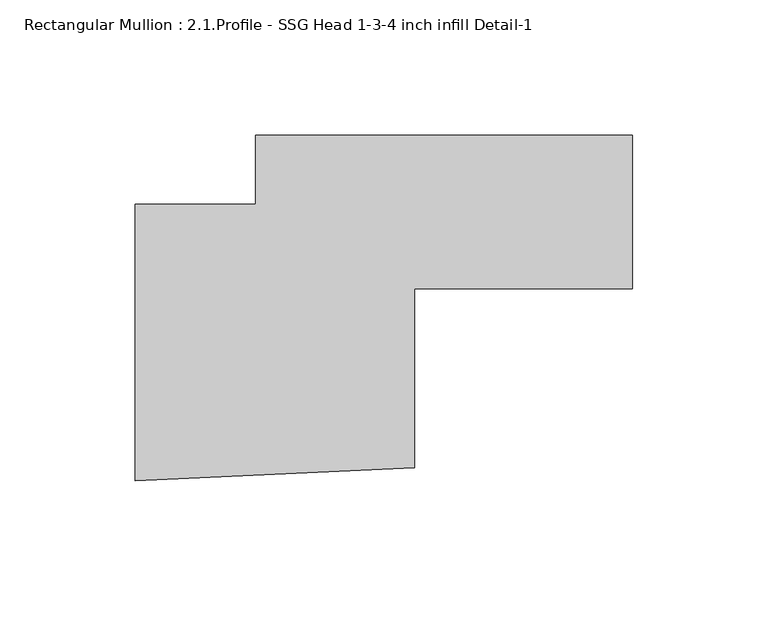
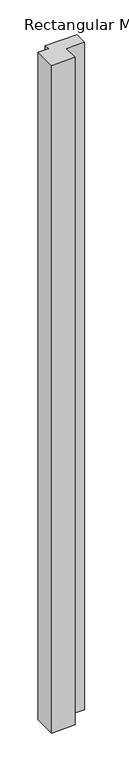
"""IFC4 building model written with IfcOpenShell, lengths in millimetres: member geometry, Rectangular Mullion : 2.1.Profile - SSG Head 1-3-4 inch infill Detail-1."""

import ifcopenshell
import ifcopenshell.guid

model = None  # the IFC model being written
_history = None  # IfcOwnerHistory: only IFC2X3 demands one
_inside = {}  # id of a spatial element -> (the spatial element, [elements in it])
_under = {}  # id of a project, library or spatial element -> (it, [spatial elements below it])
_declared = {}  # id of a project -> (the project, [libraries it declares])
_typed = {}  # id of a type object -> (the type object, [elements of that type])
_made_of = {}  # id of a material, layer set ... -> (it, [elements and type objects made of it])


def new_model(schema):
    """Start an empty IFC model of exactly this schema.

    Asked for "IFC4X3", IfcOpenShell would pick the latest addendum, in which some entities
    have other attributes; the version numbers below select the first issue.
    IFC2X3 requires an IfcOwnerHistory on every rooted entity: one is made here for all.
    """
    global model, _history
    if schema == "IFC4X3":
        model = ifcopenshell.file(schema_version=(4, 3, 0, 0))
    else:
        model = ifcopenshell.file(schema=schema)
    _inside.clear()
    _under.clear()
    _declared.clear()
    _typed.clear()
    _made_of.clear()
    _history = None
    if model.schema == "IFC2X3":
        org = make("IfcOrganization", Name="unknown")
        user = make(
            "IfcPersonAndOrganization",
            ThePerson=make("IfcPerson", FamilyName="unknown"),
            TheOrganization=org,
        )
        app = make(
            "IfcApplication",
            ApplicationDeveloper=org,
            Version="unknown",
            ApplicationFullName="unknown",
            ApplicationIdentifier="unknown",
        )
        _history = make(
            "IfcOwnerHistory",
            OwningUser=user,
            OwningApplication=app,
            ChangeAction="ADDED",
            CreationDate=0,
        )
    return model


def make(cls, **values):
    """One entity of the class cls with the attributes given. An attribute that is None is left unset."""
    return model.create_entity(
        cls, **{name: value for name, value in values.items() if value is not None}
    )


def rooted(cls, **values):
    """An entity with a GlobalId (a new one), such as an element, a storey or a relation."""
    return make(cls, GlobalId=ifcopenshell.guid.new(), OwnerHistory=_history, **values)


def si_unit(unit_type, name, prefix=None):
    """IfcSIUnit, for example si_unit("LENGTHUNIT", "METRE", prefix="MILLI")."""
    return make("IfcSIUnit", UnitType=unit_type, Prefix=prefix, Name=name)


def assignment(units):
    """IfcUnitAssignment: the units of a project."""
    return None if units is None else make("IfcUnitAssignment", Units=units)


def point(xyz):
    """IfcCartesianPoint."""
    return None if xyz is None else make("IfcCartesianPoint", Coordinates=xyz)


def direction(xyz):
    """IfcDirection."""
    return None if xyz is None else make("IfcDirection", DirectionRatios=xyz)


def frame(location, z_axis=None, x_axis=None):
    """IfcAxis2Placement3D, a coordinate frame: its origin and axes. An axis left out is left unset."""
    return make(
        "IfcAxis2Placement3D",
        Location=point(location),
        Axis=direction(z_axis),
        RefDirection=direction(x_axis),
    )


def origin():
    """The frame at (0, 0, 0) with its axes left unset."""
    return frame((0.0, 0.0, 0.0))


def place(relative_to, where):
    """IfcLocalPlacement: puts the frame where relative to a parent placement (None: the world)."""
    return make(
        "IfcLocalPlacement", PlacementRelTo=relative_to, RelativePlacement=where
    )


def context(
    kind, dimensions, precision=None, world=None, true_north=None, identifier=None
):
    """IfcGeometricRepresentationContext, for example the 3D "Model" context."""
    return make(
        "IfcGeometricRepresentationContext",
        ContextIdentifier=identifier,
        ContextType=kind,
        CoordinateSpaceDimension=dimensions,
        Precision=precision,
        WorldCoordinateSystem=world,
        TrueNorth=true_north,
    )


def project(units=None, contexts=None):
    """IfcProject with its units and contexts."""
    return rooted(
        "IfcProject",
        Name="project",
        RepresentationContexts=contexts,
        UnitsInContext=assignment(units),
    )


def spatial(cls, under=None, at=None, **own):
    """A site, building, storey or space (cls), placed at a placement, below another one or the project."""
    s = rooted(cls, ObjectPlacement=at, **own)
    if under is not None:
        _under.setdefault(under.id(), (under, []))[1].append(s)
    return s


def polyline(points):
    """IfcPolyline through the points."""
    return make("IfcPolyline", Points=[point(p) for p in points])


def outline(outer, holes=None, kind="AREA"):
    """IfcArbitraryClosedProfileDef: a profile drawn as a closed curve; with holes, ...WithVoids."""
    if holes is None:
        return make("IfcArbitraryClosedProfileDef", ProfileType=kind, OuterCurve=outer)
    return make(
        "IfcArbitraryProfileDefWithVoids",
        ProfileType=kind,
        OuterCurve=outer,
        InnerCurves=holes,
    )


def extrude(swept, where, along, depth):
    """IfcExtrudedAreaSolid: the profile swept, set in the frame where, extruded along a direction by depth."""
    return make(
        "IfcExtrudedAreaSolid",
        SweptArea=swept,
        Position=where,
        ExtrudedDirection=direction(along),
        Depth=depth,
    )


def shape(context_of_items, identifier, shape_type, items):
    """IfcShapeRepresentation: the items that make up one representation, for example the "Body"."""
    return make(
        "IfcShapeRepresentation",
        ContextOfItems=context_of_items,
        RepresentationIdentifier=identifier,
        RepresentationType=shape_type,
        Items=items,
    )


def source(mapping_origin, context_of_items, identifier, shape_type, items):
    """IfcRepresentationMap: a shape defined once, which mapped items show again and again."""
    return make(
        "IfcRepresentationMap",
        MappingOrigin=mapping_origin,
        MappedRepresentation=shape(context_of_items, identifier, shape_type, items),
    )


def transform(
    local_origin,
    x_axis=None,
    y_axis=None,
    z_axis=None,
    scale=None,
    scale2=None,
    scale3=None,
    uniform=True,
):
    """IfcCartesianTransformationOperator3D, or its non-uniform kind. x_axis, y_axis, z_axis: its Axis1, 2, 3."""
    if uniform:
        return make(
            "IfcCartesianTransformationOperator3D",
            Axis1=direction(x_axis),
            Axis2=direction(y_axis),
            LocalOrigin=point(local_origin),
            Scale=scale,
            Axis3=direction(z_axis),
        )
    return make(
        "IfcCartesianTransformationOperator3DnonUniform",
        Axis1=direction(x_axis),
        Axis2=direction(y_axis),
        LocalOrigin=point(local_origin),
        Scale=scale,
        Axis3=direction(z_axis),
        Scale2=scale2,
        Scale3=scale3,
    )


def mapped(mapping_source, mapping_target):
    """IfcMappedItem: shows the shape of a source again, moved by a transform."""
    return make(
        "IfcMappedItem", MappingSource=mapping_source, MappingTarget=mapping_target
    )


def made_of(thing, what):
    """Note that an element or type object is made of a material, layer set ...; save() writes the relation."""
    if what is not None:
        _made_of.setdefault(what.id(), (what, []))[1].append(thing)
    return thing


def element(
    cls,
    number,
    at=None,
    inside=None,
    cuts=None,
    type_object=None,
    material=None,
    context=None,
    identifier="Body",
    shape_type=None,
    held_by="IfcProductDefinitionShape",
    body=None,
    shapes=None,
    **own,
):
    """One element of the class cls, such as IfcWall. Its Tag is "e" and its number.

    at: its placement. inside: the storey or other place that contains it. cuts: it is an
    opening in that element (IfcRelVoidsElement). A single representation is given by context,
    identifier, shape_type and body (its items); several are given by shapes. held_by: the class
    of the entity that holds the representations. save() writes the other relations.
    """
    e = rooted(cls, Tag="e%d" % number, ObjectPlacement=at, **own)
    if body is not None:
        shapes = [shape(context, identifier, shape_type, body)]
    if shapes is not None:
        e.Representation = make(held_by, Representations=shapes)
    if inside is not None:
        _inside.setdefault(inside.id(), (inside, []))[1].append(e)
    if cuts is not None:
        rooted(
            "IfcRelVoidsElement", RelatingBuildingElement=cuts, RelatedOpeningElement=e
        )
    if type_object is not None:
        _typed.setdefault(type_object.id(), (type_object, []))[1].append(e)
    return made_of(e, material)


def aggregate(whole, parts):
    """IfcRelAggregates: a whole, such as a stair, and the parts it consists of."""
    return rooted("IfcRelAggregates", RelatingObject=whole, RelatedObjects=parts)


def save(model, path):
    """Write the relations noted so far, then the file.

    IfcRelAggregates (storeys below a building ...), IfcRelContainedInSpatialStructure (elements
    in a storey), IfcRelDefinesByType, IfcRelAssociatesMaterial and IfcRelDeclares: one each for
    every whole, place, type object, material and project.
    """
    for whole, parts in _under.values():
        aggregate(whole, parts)
    for where, things in _inside.values():
        rooted(
            "IfcRelContainedInSpatialStructure",
            RelatedElements=things,
            RelatingStructure=where,
        )
    for kind, things in _typed.values():
        rooted("IfcRelDefinesByType", RelatedObjects=things, RelatingType=kind)
    for what, things in _made_of.values():
        rooted("IfcRelAssociatesMaterial", RelatedObjects=things, RelatingMaterial=what)
    for by, libraries in _declared.values():
        rooted("IfcRelDeclares", RelatingContext=by, RelatedDefinitions=libraries)
    model.write(path)


def rectangular_mullion_2_1_profile_ssg_head_1_3_4_inch_infill_90b9a8ef(model_context):
    return source(origin(), model_context, "Body", "SweptSolid", [
        extrude(outline(polyline([(-139.1621901, 44.0267447), (-139.1621901, 69.4266315), (0.0, 69.4266315), (0.0, 12.7), (-80.3910002, 12.7), (-80.3910002, -53.3387632), (-183.642, -58.2165707), (-183.642, 44.0267447), (-139.1621901, 44.0267447)])), frame((0.0, 0.0, -3048.0), z_axis=(0.0, 0.0, 1.0), x_axis=(1.0, 0.0, 0.0)), (0.0, 0.0, 1.0), 3048.0),
    ])


if __name__ == "__main__":
    model = new_model("IFC4")
    model_context = context("Model", 3, world=origin())
    ifc_project = project(units=[si_unit("LENGTHUNIT", "METRE", prefix="MILLI")], contexts=[model_context])
    site = spatial("IfcSite", under=ifc_project)
    building = spatial("IfcBuilding", under=site)
    placement = place(None, origin())
    rectangular_mullion_2_1_profile_ssg_head_1_3_4_inch_infill_shape = rectangular_mullion_2_1_profile_ssg_head_1_3_4_inch_infill_90b9a8ef(model_context)
    element("IfcMember", 1, ObjectType="Rectangular Mullion : 2.1.Profile - SSG Head 1-3-4 inch infill Detail-1", at=placement, inside=building, context=model_context, shape_type="MappedRepresentation", body=[
        mapped(rectangular_mullion_2_1_profile_ssg_head_1_3_4_inch_infill_shape, transform((0.0, 0.0, 0.0), x_axis=(1.0, 0.0, 0.0), y_axis=(0.0, 1.0, 0.0), z_axis=(0.0, 0.0, 1.0))),
    ])
    save(model, "model.ifc")
